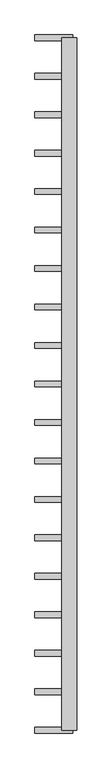
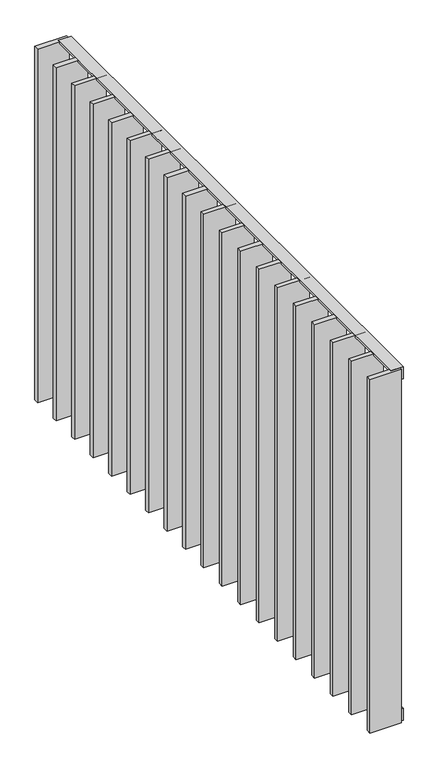
"""IFC4 building model written with IfcOpenShell, lengths in millimetres: railing geometry."""

from ifc_helpers import new_model, si_unit, frame, origin, place, context, project, spatial, polyline, outline, extrude, source, transform, mapped, element, save


def railing_3890ee81(model_context):
    return source(origin(), model_context, "Body", "SweptSolid", [
        extrude(outline(polyline([(-6.0, 14.0), (-40.0, 14.0), (-40.0, 20.0), (0.0, 20.0), (0.0, -20.0), (-6.0, -20.0), (-6.0, 14.0)])), frame((42559.5112064, 27171.429446, 8000.0), z_axis=(2.565562121722343e-12, 1.0, 0.0), x_axis=(0.0, 0.0, 1.0)), (0.0, 0.0, 1.0), 1820.0),
        extrude(outline(polyline([(6.0, 14.0), (6.0, -20.0), (0.0, -20.0), (0.0, 20.0), (40.0, 20.0), (40.0, 14.0), (6.0, 14.0)])), frame((42559.5112064, 27171.429446, 6820.0), z_axis=(2.565562121722343e-12, 1.0, 0.0), x_axis=(0.0, 0.0, 1.0)), (0.0, 0.0, 1.0), 1820.0),
        extrude(outline(polyline([(42569.5112064, 28882.8183349), (42469.5112064, 28882.8183349), (42469.5112064, 28897.8183349), (42569.5112064, 28897.8183349), (42569.5112064, 28882.8183349)])), frame((0.0, 0.0, 6819.9), z_axis=(0.0, 0.0, 1.0), x_axis=(1.0, 0.0, 0.0)), (0.0, 0.0, 1.0), 1180.2),
        extrude(outline(polyline([(42569.5112064, 28781.7072238), (42469.5112064, 28781.7072238), (42469.5112064, 28796.7072238), (42569.5112064, 28796.7072238), (42569.5112064, 28781.7072238)])), frame((0.0, 0.0, 6819.9), z_axis=(0.0, 0.0, 1.0), x_axis=(1.0, 0.0, 0.0)), (0.0, 0.0, 1.0), 1180.2),
        extrude(outline(polyline([(42569.5112064, 28680.5961127), (42469.5112064, 28680.5961127), (42469.5112064, 28695.5961127), (42569.5112064, 28695.5961127), (42569.5112064, 28680.5961127)])), frame((0.0, 0.0, 6819.9), z_axis=(0.0, 0.0, 1.0), x_axis=(1.0, 0.0, 0.0)), (0.0, 0.0, 1.0), 1180.2),
        extrude(outline(polyline([(42569.5112064, 28579.4850015), (42469.5112064, 28579.4850015), (42469.5112064, 28594.4850015), (42569.5112064, 28594.4850015), (42569.5112064, 28579.4850015)])), frame((0.0, 0.0, 6819.9), z_axis=(0.0, 0.0, 1.0), x_axis=(1.0, 0.0, 0.0)), (0.0, 0.0, 1.0), 1180.2),
        extrude(outline(polyline([(42569.5112064, 28478.3738904), (42469.5112064, 28478.3738904), (42469.5112064, 28493.3738904), (42569.5112064, 28493.3738904), (42569.5112064, 28478.3738904)])), frame((0.0, 0.0, 6819.9), z_axis=(0.0, 0.0, 1.0), x_axis=(1.0, 0.0, 0.0)), (0.0, 0.0, 1.0), 1180.2),
        extrude(outline(polyline([(42569.5112064, 28377.2627793), (42469.5112064, 28377.2627793), (42469.5112064, 28392.2627793), (42569.5112064, 28392.2627793), (42569.5112064, 28377.2627793)])), frame((0.0, 0.0, 6819.9), z_axis=(0.0, 0.0, 1.0), x_axis=(1.0, 0.0, 0.0)), (0.0, 0.0, 1.0), 1180.2),
        extrude(outline(polyline([(42569.5112064, 28276.1516682), (42469.5112064, 28276.1516682), (42469.5112064, 28291.1516682), (42569.5112064, 28291.1516682), (42569.5112064, 28276.1516682)])), frame((0.0, 0.0, 6819.9), z_axis=(0.0, 0.0, 1.0), x_axis=(1.0, 0.0, 0.0)), (0.0, 0.0, 1.0), 1180.2),
        extrude(outline(polyline([(42569.5112064, 28175.0405571), (42469.5112064, 28175.0405571), (42469.5112064, 28190.0405571), (42569.5112064, 28190.0405571), (42569.5112064, 28175.0405571)])), frame((0.0, 0.0, 6819.9), z_axis=(0.0, 0.0, 1.0), x_axis=(1.0, 0.0, 0.0)), (0.0, 0.0, 1.0), 1180.2),
        extrude(outline(polyline([(42569.5112064, 28073.929446), (42469.5112064, 28073.929446), (42469.5112064, 28088.929446), (42569.5112064, 28088.929446), (42569.5112064, 28073.929446)])), frame((0.0, 0.0, 6819.9), z_axis=(0.0, 0.0, 1.0), x_axis=(1.0, 0.0, 0.0)), (0.0, 0.0, 1.0), 1180.2),
        extrude(outline(polyline([(42569.5112064, 27972.8183349), (42469.5112064, 27972.8183349), (42469.5112064, 27987.8183349), (42569.5112064, 27987.8183349), (42569.5112064, 27972.8183349)])), frame((0.0, 0.0, 6819.9), z_axis=(0.0, 0.0, 1.0), x_axis=(1.0, 0.0, 0.0)), (0.0, 0.0, 1.0), 1180.2),
        extrude(outline(polyline([(42569.5112064, 27871.7072238), (42469.5112064, 27871.7072238), (42469.5112064, 27886.7072238), (42569.5112064, 27886.7072238), (42569.5112064, 27871.7072238)])), frame((0.0, 0.0, 6819.9), z_axis=(0.0, 0.0, 1.0), x_axis=(1.0, 0.0, 0.0)), (0.0, 0.0, 1.0), 1180.2),
        extrude(outline(polyline([(42569.5112064, 27770.5961127), (42469.5112064, 27770.5961127), (42469.5112064, 27785.5961127), (42569.5112064, 27785.5961127), (42569.5112064, 27770.5961127)])), frame((0.0, 0.0, 6819.9), z_axis=(0.0, 0.0, 1.0), x_axis=(1.0, 0.0, 0.0)), (0.0, 0.0, 1.0), 1180.2),
        extrude(outline(polyline([(42569.5112064, 27669.4850015), (42469.5112064, 27669.4850015), (42469.5112064, 27684.4850015), (42569.5112064, 27684.4850015), (42569.5112064, 27669.4850015)])), frame((0.0, 0.0, 6819.9), z_axis=(0.0, 0.0, 1.0), x_axis=(1.0, 0.0, 0.0)), (0.0, 0.0, 1.0), 1180.2),
        extrude(outline(polyline([(42569.5112064, 27568.3738904), (42469.5112064, 27568.3738904), (42469.5112064, 27583.3738904), (42569.5112064, 27583.3738904), (42569.5112064, 27568.3738904)])), frame((0.0, 0.0, 6819.9), z_axis=(0.0, 0.0, 1.0), x_axis=(1.0, 0.0, 0.0)), (0.0, 0.0, 1.0), 1180.2),
        extrude(outline(polyline([(42569.5112064, 27467.2627793), (42469.5112064, 27467.2627793), (42469.5112064, 27482.2627793), (42569.5112064, 27482.2627793), (42569.5112064, 27467.2627793)])), frame((0.0, 0.0, 6819.9), z_axis=(0.0, 0.0, 1.0), x_axis=(1.0, 0.0, 0.0)), (0.0, 0.0, 1.0), 1180.2),
        extrude(outline(polyline([(42569.5112064, 27366.1516682), (42469.5112064, 27366.1516682), (42469.5112064, 27381.1516682), (42569.5112064, 27381.1516682), (42569.5112064, 27366.1516682)])), frame((0.0, 0.0, 6819.9), z_axis=(0.0, 0.0, 1.0), x_axis=(1.0, 0.0, 0.0)), (0.0, 0.0, 1.0), 1180.2),
        extrude(outline(polyline([(42569.5112064, 27265.0405571), (42469.5112064, 27265.0405571), (42469.5112064, 27280.0405571), (42569.5112064, 27280.0405571), (42569.5112064, 27265.0405571)])), frame((0.0, 0.0, 6819.9), z_axis=(0.0, 0.0, 1.0), x_axis=(1.0, 0.0, 0.0)), (0.0, 0.0, 1.0), 1180.2),
        extrude(outline(polyline([(42569.5112064, 28983.929446), (42469.5112064, 28983.929446), (42469.5112064, 28998.929446), (42569.5112064, 28998.929446), (42569.5112064, 28983.929446)])), frame((0.0, 0.0, 6819.9), z_axis=(0.0, 0.0, 1.0), x_axis=(1.0, 0.0, 0.0)), (0.0, 0.0, 1.0), 1180.2),
        extrude(outline(polyline([(42569.5112064, 27163.929446), (42469.5112064, 27163.929446), (42469.5112064, 27178.929446), (42569.5112064, 27178.929446), (42569.5112064, 27163.929446)])), frame((0.0, 0.0, 6819.9), z_axis=(0.0, 0.0, 1.0), x_axis=(1.0, 0.0, 0.0)), (0.0, 0.0, 1.0), 1180.2),
    ])


if __name__ == "__main__":
    model = new_model("IFC4")
    model_context = context("Model", 3, world=origin())
    ifc_project = project(units=[si_unit("LENGTHUNIT", "METRE", prefix="MILLI")], contexts=[model_context])
    site = spatial("IfcSite", under=ifc_project)
    building = spatial("IfcBuilding", under=site)
    placement = place(None, origin())
    railing_shape = railing_3890ee81(model_context)
    element("IfcRailing", 1, at=placement, inside=building, context=model_context, shape_type="MappedRepresentation", body=[
        mapped(railing_shape, transform((0.0, 0.0, 0.0), x_axis=(1.0, 0.0, 0.0), y_axis=(0.0, 1.0, 0.0), z_axis=(0.0, 0.0, 1.0))),
    ])
    save(model, "model.ifc")
